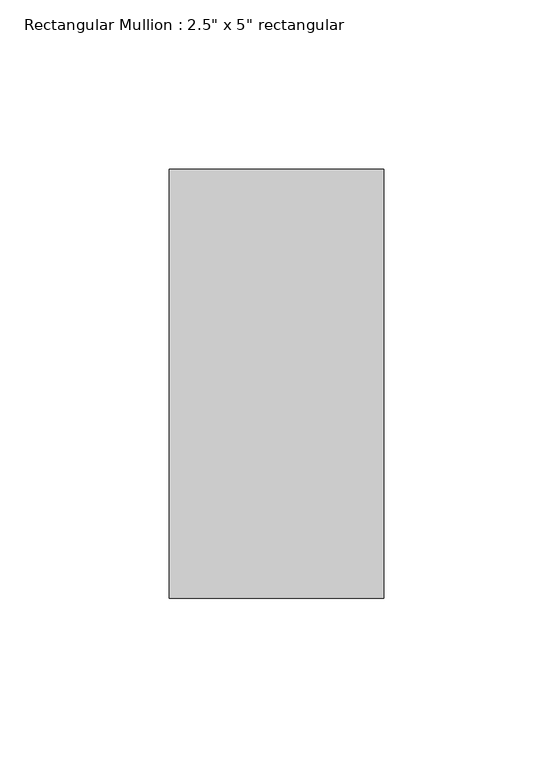
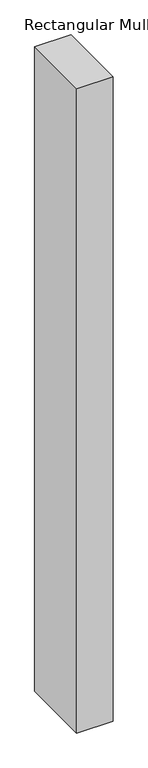
"""IFC4 building model written with IfcOpenShell, lengths in millimetres: member geometry."""

from ifc_helpers import new_model, si_unit, frame, origin, place, context, project, spatial, polyline, outline, extrude, source, transform, mapped, element, save


def member_9a4eb3ce(model_context):
    return source(origin(), model_context, "Body", "SweptSolid", [
        extrude(outline(polyline([(0.0, 63.5), (0.0, -63.5), (-63.5, -63.5), (-63.5, 63.5), (0.0, 63.5)])), frame((0.0, 0.0, -1187.3), z_axis=(0.0, 0.0, 1.0), x_axis=(1.0, 0.0, 0.0)), (0.0, 0.0, 1.0), 1187.3),
    ])


if __name__ == "__main__":
    model = new_model("IFC4")
    model_context = context("Model", 3, world=origin())
    ifc_project = project(units=[si_unit("LENGTHUNIT", "METRE", prefix="MILLI")], contexts=[model_context])
    site = spatial("IfcSite", under=ifc_project)
    building = spatial("IfcBuilding", under=site)
    placement = place(None, origin())
    member_shape = member_9a4eb3ce(model_context)
    element("IfcMember", 1, ObjectType="Rectangular Mullion : 2.5\" x 5\" rectangular", at=placement, inside=building, context=model_context, shape_type="MappedRepresentation", body=[
        mapped(member_shape, transform((0.0, 0.0, 0.0), x_axis=(1.0, 0.0, 0.0), y_axis=(0.0, 1.0, 0.0), z_axis=(0.0, 0.0, 1.0))),
    ])
    save(model, "model.ifc")
